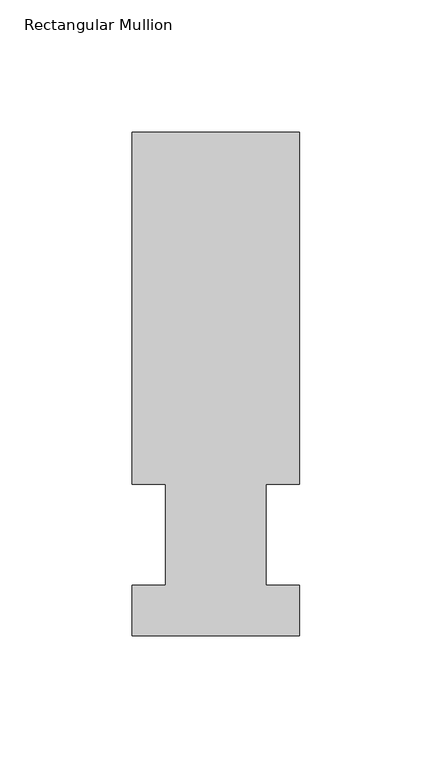
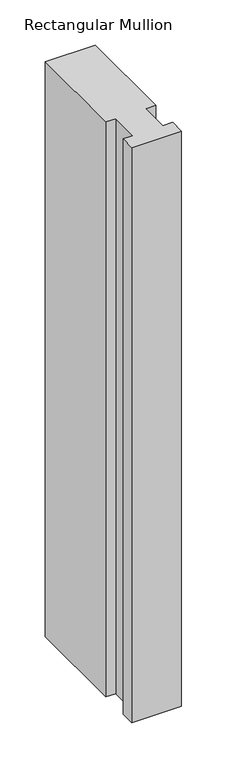
"""IFC4 building model written with IfcOpenShell, lengths in millimetres: member geometry, Rectangular Mullion."""

from ifc_helpers import new_model, si_unit, frame, origin, place, context, project, spatial, polyline, outline, extrude, source, transform, mapped, element, save


def rectangular_mullion_35aa94b5(model_context):
    return source(origin(), model_context, "Body", "SweptSolid", [
        extrude(outline(polyline([(31.75, 190.5), (31.75, 57.15), (19.0500001, 57.15), (19.0500001, 19.05), (31.7500005, 19.05), (31.7500005, -0.0137627), (-31.7499995, -0.0137627), (-31.7499995, 19.05), (-19.0500001, 19.05), (-19.0500001, 57.15), (-31.7500006, 57.15), (-31.7500006, 190.5), (31.75, 190.5)])), frame((0.0, 0.0, -774.7), z_axis=(0.0, 0.0, 1.0), x_axis=(1.0, 0.0, 0.0)), (0.0, 0.0, 1.0), 774.7),
    ])


if __name__ == "__main__":
    model = new_model("IFC4")
    model_context = context("Model", 3, world=origin())
    ifc_project = project(units=[si_unit("LENGTHUNIT", "METRE", prefix="MILLI")], contexts=[model_context])
    site = spatial("IfcSite", under=ifc_project)
    building = spatial("IfcBuilding", under=site)
    placement = place(None, origin())
    rectangular_mullion_shape = rectangular_mullion_35aa94b5(model_context)
    element("IfcMember", 1, ObjectType="Rectangular Mullion", at=placement, inside=building, context=model_context, shape_type="MappedRepresentation", body=[
        mapped(rectangular_mullion_shape, transform((0.0, 0.0, 0.0), x_axis=(1.0, 0.0, 0.0), y_axis=(0.0, 1.0, 0.0), z_axis=(0.0, 0.0, 1.0))),
    ])
    save(model, "model.ifc")
